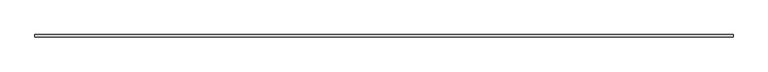
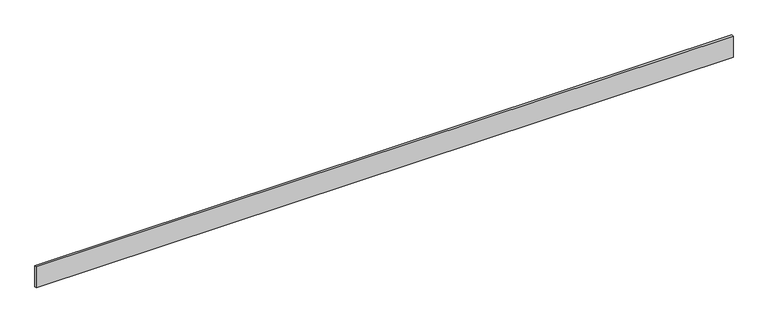
"""IFC4 building model written with IfcOpenShell, lengths in millimetres: furniture geometry."""

from ifc_helpers import new_model, si_unit, origin, origin_with_axes, place, context, project, spatial, polyline, outline, extrude, source, transform, mapped, element, save


def furniture_6f57cc0f(model_context):
    return source(origin(), model_context, "Body", "SweptSolid", [
        extrude(outline(polyline([(0.0, 0.0), (0.0, 10.0), (3159.4171575, 10.0), (3159.4171575, 0.0), (0.0, 0.0)])), origin_with_axes(), (0.0, 0.0, 1.0), 100.0),
    ])


if __name__ == "__main__":
    model = new_model("IFC4")
    model_context = context("Model", 3, world=origin())
    ifc_project = project(units=[si_unit("LENGTHUNIT", "METRE", prefix="MILLI")], contexts=[model_context])
    site = spatial("IfcSite", under=ifc_project)
    building = spatial("IfcBuilding", under=site)
    placement = place(None, origin())
    furniture_shape = furniture_6f57cc0f(model_context)
    element("IfcFurniture", 1, at=placement, inside=building, context=model_context, shape_type="MappedRepresentation", body=[
        mapped(furniture_shape, transform((0.0, 0.0, 0.0), x_axis=(1.0, 0.0, 0.0), y_axis=(0.0, 1.0, 0.0), z_axis=(0.0, 0.0, 1.0))),
    ])
    save(model, "model.ifc")
